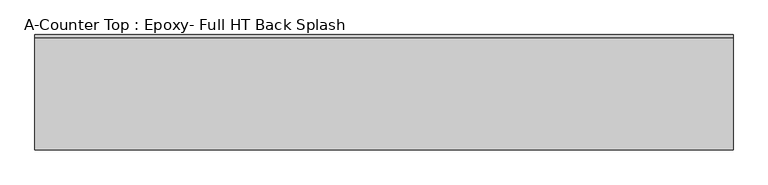
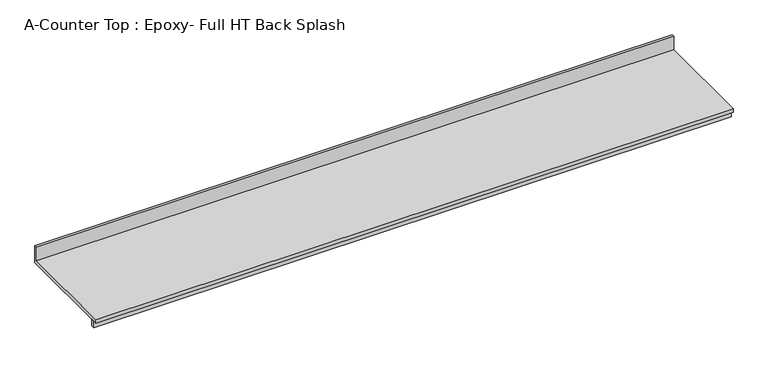
"""IFC4 building model written with IfcOpenShell, lengths in millimetres: furniture geometry, A-Counter Top : Epoxy- Full HT Back Splash."""

from ifc_helpers import new_model, si_unit, frame, origin, place, context, project, spatial, polyline, outline, extrude, source, transform, mapped, element, save


def a_counter_top_epoxy_full_ht_back_splash_355a2d29(model_context):
    return source(origin(), model_context, "Body", "SweptSolid", [
        extrude(outline(polyline([(0.0, 1041.4), (0.0, 914.4), (-762.0, 914.4), (-762.0, 939.8), (-19.05, 939.8), (-19.05, 1041.4), (0.0, 1041.4)])), frame((-1327.4622951, 0.0, 0.0), z_axis=(1.0, 0.0, 0.0), x_axis=(0.0, 1.0, 0.0)), (0.0, 0.0, 1.0), 4603.75),
        extrude(outline(polyline([(3276.2877049, -711.2), (3276.2877049, -736.6), (-1327.4622951, -736.6), (-1327.4622951, -711.2), (3276.2877049, -711.2)])), frame((0.0, 0.0, 863.6), z_axis=(0.0, 0.0, 1.0), x_axis=(1.0, 0.0, 0.0)), (0.0, 0.0, 1.0), 50.8),
    ])


if __name__ == "__main__":
    model = new_model("IFC4")
    model_context = context("Model", 3, world=origin())
    ifc_project = project(units=[si_unit("LENGTHUNIT", "METRE", prefix="MILLI")], contexts=[model_context])
    site = spatial("IfcSite", under=ifc_project)
    building = spatial("IfcBuilding", under=site)
    placement = place(None, origin())
    a_counter_top_epoxy_full_ht_back_splash_shape = a_counter_top_epoxy_full_ht_back_splash_355a2d29(model_context)
    element("IfcFurniture", 1, ObjectType="A-Counter Top : Epoxy- Full HT Back Splash", at=placement, inside=building, context=model_context, shape_type="MappedRepresentation", body=[
        mapped(a_counter_top_epoxy_full_ht_back_splash_shape, transform((0.0, 0.0, 0.0), x_axis=(1.0, 0.0, 0.0), y_axis=(0.0, 1.0, 0.0), z_axis=(0.0, 0.0, 1.0))),
    ])
    save(model, "model.ifc")
